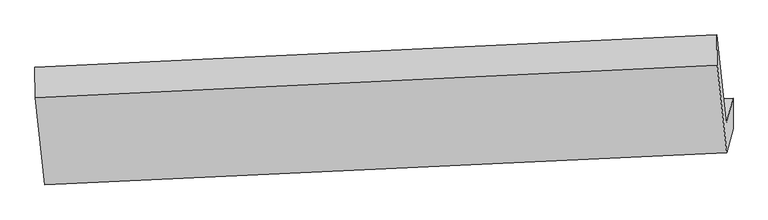
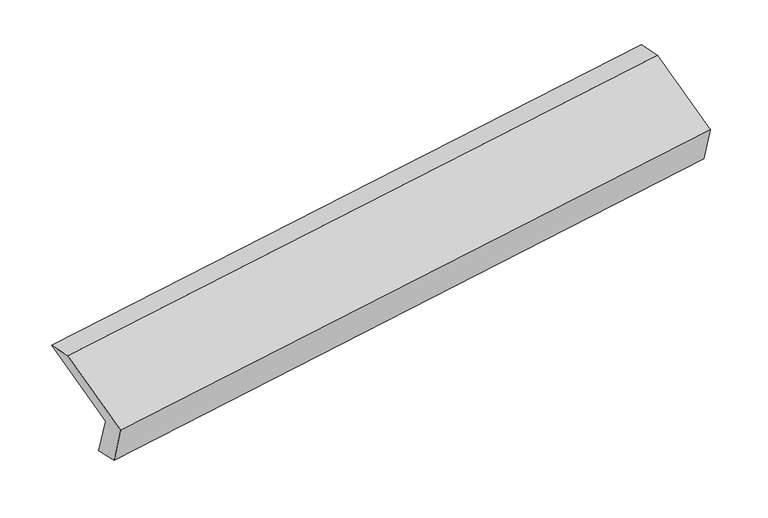
"""IFC4 building model written with IfcOpenShell, lengths in millimetres: proxy geometry."""

from ifc_helpers import new_model, si_unit, frame, origin, place, context, project, spatial, source, transform, mapped, element, save
from ifc_brep_helpers import plane_surface, spline_surface, advanced_brep


def generic_models_594e578f(model_context):
    return source(origin(), model_context, "Body", "AdvancedBrep", [
        advanced_brep(
        [(-5166.2481589, -1607.0560317, 1231.5235109), (-5211.2272273, -1775.121572, 1591.8332829), (-498.943697, -1550.7764426, 2273.6289889), (-452.840476, -1378.510475, 1904.3140689), (-5164.2667848, -1808.8170381, 1277.5543499), (-453.1074071, -1588.6723362, 1968.3552038), (-5209.2458532, -1976.8825783, 1637.8641219), (-496.9623229, -1752.537449, 2319.6598278), (-5274.5068041, -1375.1529604, 1910.3924965), (-562.2232738, -1150.8078311, 2592.1882025), (-5277.4713436, -1164.3268126, 1868.4673359), (-565.1878133, -939.9816833, 2550.2630418)],
        [
            (0, 1),
            (1, 2),
            (2, 3),
            (3, 0),
            (4, 0),
            (3, 5),
            (5, 4),
            (6, 4),
            (5, 7),
            (7, 6),
            (8, 6),
            (7, 9),
            (9, 8),
            (10, 8),
            (9, 11),
            (11, 10),
            (1, 10),
            (11, 2),
        ],
        [
            plane_surface(frame((-5188.7376931, -1691.0888018, 1411.6783969), z_axis=(-0.10246446539822512, 0.9063283465462522, 0.4099633661406745), x_axis=(-0.11241525997596034, -0.42004274579526, 0.9005147977847537))),
            spline_surface(1, 1, [[(-5164.2667848, -1808.8170381, 1277.5543499), (-453.1074071, -1588.6723362, 1968.3552038)], [(-5166.2481589, -1607.0560317, 1231.5235109), (-452.840476, -1378.510475, 1904.3140689)]], [2, 2], [2, 2], [0.0, 1.0], [0.0, 1.0]),
            plane_surface(frame((-5186.756319, -1892.8498082, 1457.7092359), z_axis=(0.10246446539824292, -0.9063283465461938, -0.4099633661407989), x_axis=(0.1124152599759478, 0.42004274579538564, -0.9005147977846967))),
            plane_surface(frame((-5241.8763287, -1676.0177694, 1774.1283092), z_axis=(-0.11034060469810311, -0.41995290796251894, 0.9008132470432932), x_axis=(0.09831654245017667, -0.906514151958082, -0.41056783821965637))),
            plane_surface(frame((-5275.9890738, -1269.7398865, 1889.4299162), z_axis=(-0.14945525166461232, 0.19082947563837105, 0.9701789726527018), x_axis=(0.01379017112222356, -0.9807016012392742, 0.19502358961711166))),
            plane_surface(frame((-5244.3492855, -1469.7241923, 1730.1503094), z_axis=(0.11034060469810168, 0.419952907962537, -0.9008132470432851), x_axis=(-0.09831654245017966, 0.9065141519580738, 0.41056783821967413))),
            plane_surface(frame((-504.8774984, -1393.5477029, 2268.0682223), z_axis=(0.9887854503405582, 0.042381411072185834, 0.14320317451212444), x_axis=(0.09831654245017667, -0.906514151958082, -0.41056783821965637))),
            plane_surface(frame((-5217.1610287, -1617.8928322, 1586.2725163), z_axis=(-0.9887854503405669, -0.042381411072170125, -0.1432031745120704), x_axis=(0.11241525997591391, 0.42004274579530415, -0.900514797784739))),
        ],
        [
            (0, [[1, 2, 3, 4]]),
            (1, [[5, -4, 6, 7]]),
            (2, [[8, -7, 9, 10]]),
            (3, [[11, -10, 12, 13]]),
            (4, [[14, -13, 15, 16]]),
            (5, [[17, -16, 18, -2]]),
            (6, [[-12, -9, -6, -3, -18, -15]]),
            (7, [[-1, -5, -8, -11, -14, -17]]),
        ],
    ),
    ])


if __name__ == "__main__":
    model = new_model("IFC4")
    model_context = context("Model", 3, world=origin())
    ifc_project = project(units=[si_unit("LENGTHUNIT", "METRE", prefix="MILLI")], contexts=[model_context])
    site = spatial("IfcSite", under=ifc_project)
    building = spatial("IfcBuilding", under=site)
    placement = place(None, origin())
    generic_models_shape = generic_models_594e578f(model_context)
    element("IfcBuildingElementProxy", 1, Name="Generic Models", at=placement, inside=building, context=model_context, shape_type="MappedRepresentation", body=[
        mapped(generic_models_shape, transform((0.0, 0.0, 0.0), x_axis=(1.0, 0.0, 0.0), y_axis=(0.0, 1.0, 0.0), z_axis=(0.0, 0.0, 1.0))),
    ])
    save(model, "model.ifc")
